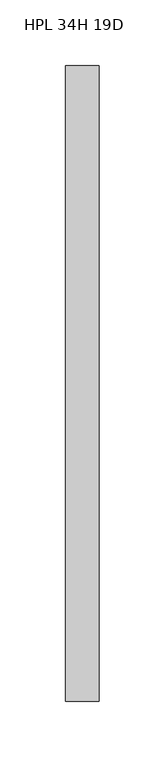
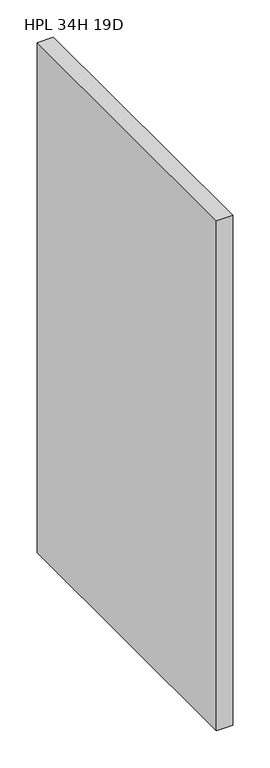
"""IFC4 building model written with IfcOpenShell, lengths in millimetres: furniture geometry, HPL 34H 19D."""

from ifc_helpers import new_model, si_unit, origin, origin_with_axes, place, context, project, spatial, polyline, outline, extrude, source, transform, mapped, element, save


def hpl_34h_19d_8e3909b4(model_context):
    return source(origin(), model_context, "Body", "SweptSolid", [
        extrude(outline(polyline([(25.4, 0.0), (25.4, -482.6), (0.0, -482.6), (0.0, 0.0), (25.4, 0.0)])), origin_with_axes(), (0.0, 0.0, 1.0), 838.2),
    ])


if __name__ == "__main__":
    model = new_model("IFC4")
    model_context = context("Model", 3, world=origin())
    ifc_project = project(units=[si_unit("LENGTHUNIT", "METRE", prefix="MILLI")], contexts=[model_context])
    site = spatial("IfcSite", under=ifc_project)
    building = spatial("IfcBuilding", under=site)
    placement = place(None, origin())
    hpl_34h_19d_shape = hpl_34h_19d_8e3909b4(model_context)
    element("IfcFurniture", 1, ObjectType="HPL 34H 19D", at=placement, inside=building, context=model_context, shape_type="MappedRepresentation", body=[
        mapped(hpl_34h_19d_shape, transform((0.0, 0.0, 0.0), x_axis=(1.0, 0.0, 0.0), y_axis=(0.0, 1.0, 0.0), z_axis=(0.0, 0.0, 1.0))),
    ])
    save(model, "model.ifc")
